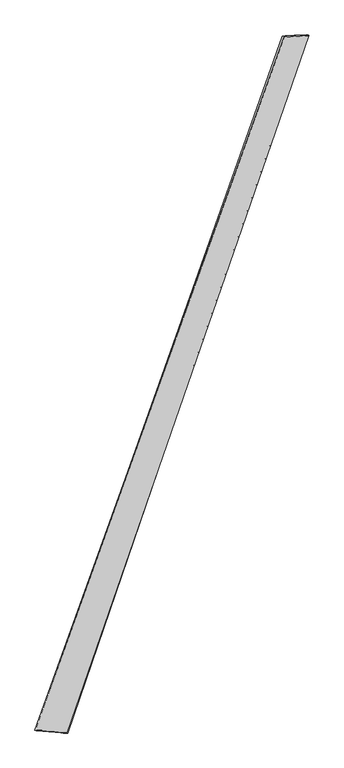
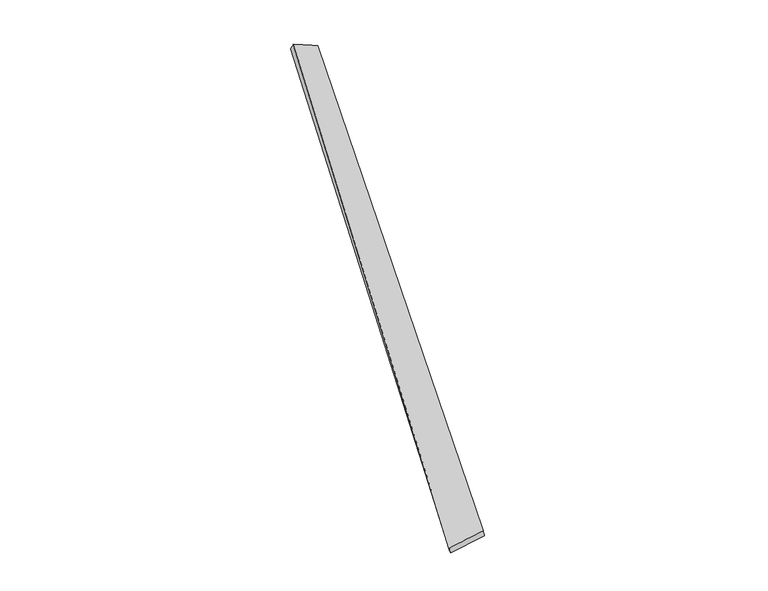
"""IFC4 building model written with IfcOpenShell, lengths in millimetres: proxy geometry."""

import ifcopenshell
import ifcopenshell.guid

model = None  # the IFC model being written
_history = None  # IfcOwnerHistory: only IFC2X3 demands one
_inside = {}  # id of a spatial element -> (the spatial element, [elements in it])
_under = {}  # id of a project, library or spatial element -> (it, [spatial elements below it])
_declared = {}  # id of a project -> (the project, [libraries it declares])
_typed = {}  # id of a type object -> (the type object, [elements of that type])
_made_of = {}  # id of a material, layer set ... -> (it, [elements and type objects made of it])


def new_model(schema):
    """Start an empty IFC model of exactly this schema.

    Asked for "IFC4X3", IfcOpenShell would pick the latest addendum, in which some entities
    have other attributes; the version numbers below select the first issue.
    IFC2X3 requires an IfcOwnerHistory on every rooted entity: one is made here for all.
    """
    global model, _history
    if schema == "IFC4X3":
        model = ifcopenshell.file(schema_version=(4, 3, 0, 0))
    else:
        model = ifcopenshell.file(schema=schema)
    _inside.clear()
    _under.clear()
    _declared.clear()
    _typed.clear()
    _made_of.clear()
    _history = None
    if model.schema == "IFC2X3":
        org = make("IfcOrganization", Name="unknown")
        user = make(
            "IfcPersonAndOrganization",
            ThePerson=make("IfcPerson", FamilyName="unknown"),
            TheOrganization=org,
        )
        app = make(
            "IfcApplication",
            ApplicationDeveloper=org,
            Version="unknown",
            ApplicationFullName="unknown",
            ApplicationIdentifier="unknown",
        )
        _history = make(
            "IfcOwnerHistory",
            OwningUser=user,
            OwningApplication=app,
            ChangeAction="ADDED",
            CreationDate=0,
        )
    return model


def make(cls, **values):
    """One entity of the class cls with the attributes given. An attribute that is None is left unset."""
    return model.create_entity(
        cls, **{name: value for name, value in values.items() if value is not None}
    )


def rooted(cls, **values):
    """An entity with a GlobalId (a new one), such as an element, a storey or a relation."""
    return make(cls, GlobalId=ifcopenshell.guid.new(), OwnerHistory=_history, **values)


def si_unit(unit_type, name, prefix=None):
    """IfcSIUnit, for example si_unit("LENGTHUNIT", "METRE", prefix="MILLI")."""
    return make("IfcSIUnit", UnitType=unit_type, Prefix=prefix, Name=name)


def assignment(units):
    """IfcUnitAssignment: the units of a project."""
    return None if units is None else make("IfcUnitAssignment", Units=units)


def point(xyz):
    """IfcCartesianPoint."""
    return None if xyz is None else make("IfcCartesianPoint", Coordinates=xyz)


def direction(xyz):
    """IfcDirection."""
    return None if xyz is None else make("IfcDirection", DirectionRatios=xyz)


def frame(location, z_axis=None, x_axis=None):
    """IfcAxis2Placement3D, a coordinate frame: its origin and axes. An axis left out is left unset."""
    return make(
        "IfcAxis2Placement3D",
        Location=point(location),
        Axis=direction(z_axis),
        RefDirection=direction(x_axis),
    )


def origin():
    """The frame at (0, 0, 0) with its axes left unset."""
    return frame((0.0, 0.0, 0.0))


def place(relative_to, where):
    """IfcLocalPlacement: puts the frame where relative to a parent placement (None: the world)."""
    return make(
        "IfcLocalPlacement", PlacementRelTo=relative_to, RelativePlacement=where
    )


def context(
    kind, dimensions, precision=None, world=None, true_north=None, identifier=None
):
    """IfcGeometricRepresentationContext, for example the 3D "Model" context."""
    return make(
        "IfcGeometricRepresentationContext",
        ContextIdentifier=identifier,
        ContextType=kind,
        CoordinateSpaceDimension=dimensions,
        Precision=precision,
        WorldCoordinateSystem=world,
        TrueNorth=true_north,
    )


def project(units=None, contexts=None):
    """IfcProject with its units and contexts."""
    return rooted(
        "IfcProject",
        Name="project",
        RepresentationContexts=contexts,
        UnitsInContext=assignment(units),
    )


def spatial(cls, under=None, at=None, **own):
    """A site, building, storey or space (cls), placed at a placement, below another one or the project."""
    s = rooted(cls, ObjectPlacement=at, **own)
    if under is not None:
        _under.setdefault(under.id(), (under, []))[1].append(s)
    return s


def shape(context_of_items, identifier, shape_type, items):
    """IfcShapeRepresentation: the items that make up one representation, for example the "Body"."""
    return make(
        "IfcShapeRepresentation",
        ContextOfItems=context_of_items,
        RepresentationIdentifier=identifier,
        RepresentationType=shape_type,
        Items=items,
    )


def source(mapping_origin, context_of_items, identifier, shape_type, items):
    """IfcRepresentationMap: a shape defined once, which mapped items show again and again."""
    return make(
        "IfcRepresentationMap",
        MappingOrigin=mapping_origin,
        MappedRepresentation=shape(context_of_items, identifier, shape_type, items),
    )


def transform(
    local_origin,
    x_axis=None,
    y_axis=None,
    z_axis=None,
    scale=None,
    scale2=None,
    scale3=None,
    uniform=True,
):
    """IfcCartesianTransformationOperator3D, or its non-uniform kind. x_axis, y_axis, z_axis: its Axis1, 2, 3."""
    if uniform:
        return make(
            "IfcCartesianTransformationOperator3D",
            Axis1=direction(x_axis),
            Axis2=direction(y_axis),
            LocalOrigin=point(local_origin),
            Scale=scale,
            Axis3=direction(z_axis),
        )
    return make(
        "IfcCartesianTransformationOperator3DnonUniform",
        Axis1=direction(x_axis),
        Axis2=direction(y_axis),
        LocalOrigin=point(local_origin),
        Scale=scale,
        Axis3=direction(z_axis),
        Scale2=scale2,
        Scale3=scale3,
    )


def mapped(mapping_source, mapping_target):
    """IfcMappedItem: shows the shape of a source again, moved by a transform."""
    return make(
        "IfcMappedItem", MappingSource=mapping_source, MappingTarget=mapping_target
    )


def made_of(thing, what):
    """Note that an element or type object is made of a material, layer set ...; save() writes the relation."""
    if what is not None:
        _made_of.setdefault(what.id(), (what, []))[1].append(thing)
    return thing


def element(
    cls,
    number,
    at=None,
    inside=None,
    cuts=None,
    type_object=None,
    material=None,
    context=None,
    identifier="Body",
    shape_type=None,
    held_by="IfcProductDefinitionShape",
    body=None,
    shapes=None,
    **own,
):
    """One element of the class cls, such as IfcWall. Its Tag is "e" and its number.

    at: its placement. inside: the storey or other place that contains it. cuts: it is an
    opening in that element (IfcRelVoidsElement). A single representation is given by context,
    identifier, shape_type and body (its items); several are given by shapes. held_by: the class
    of the entity that holds the representations. save() writes the other relations.
    """
    e = rooted(cls, Tag="e%d" % number, ObjectPlacement=at, **own)
    if body is not None:
        shapes = [shape(context, identifier, shape_type, body)]
    if shapes is not None:
        e.Representation = make(held_by, Representations=shapes)
    if inside is not None:
        _inside.setdefault(inside.id(), (inside, []))[1].append(e)
    if cuts is not None:
        rooted(
            "IfcRelVoidsElement", RelatingBuildingElement=cuts, RelatedOpeningElement=e
        )
    if type_object is not None:
        _typed.setdefault(type_object.id(), (type_object, []))[1].append(e)
    return made_of(e, material)


def aggregate(whole, parts):
    """IfcRelAggregates: a whole, such as a stair, and the parts it consists of."""
    return rooted("IfcRelAggregates", RelatingObject=whole, RelatedObjects=parts)


def save(model, path):
    """Write the relations noted so far, then the file.

    IfcRelAggregates (storeys below a building ...), IfcRelContainedInSpatialStructure (elements
    in a storey), IfcRelDefinesByType, IfcRelAssociatesMaterial and IfcRelDeclares: one each for
    every whole, place, type object, material and project.
    """
    for whole, parts in _under.values():
        aggregate(whole, parts)
    for where, things in _inside.values():
        rooted(
            "IfcRelContainedInSpatialStructure",
            RelatedElements=things,
            RelatingStructure=where,
        )
    for kind, things in _typed.values():
        rooted("IfcRelDefinesByType", RelatedObjects=things, RelatingType=kind)
    for what, things in _made_of.values():
        rooted("IfcRelAssociatesMaterial", RelatedObjects=things, RelatingMaterial=what)
    for by, libraries in _declared.values():
        rooted("IfcRelDeclares", RelatingContext=by, RelatedDefinitions=libraries)
    model.write(path)


def spline_surface(u_degree, v_degree, points, u_multiplicities, v_multiplicities, u_knots, v_knots, weights=None):
    """IfcBSplineSurfaceWithKnots; with weights, IfcRationalBSplineSurfaceWithKnots. points: one row for each step in u."""
    own = dict(
        UDegree=u_degree,
        VDegree=v_degree,
        ControlPointsList=[[point(p) for p in row] for row in points],
        SurfaceForm="UNSPECIFIED",
        UClosed=False,
        VClosed=False,
        SelfIntersect=False,
        UMultiplicities=u_multiplicities,
        VMultiplicities=v_multiplicities,
        UKnots=u_knots,
        VKnots=v_knots,
        KnotSpec="UNSPECIFIED",
    )
    if weights is None:
        return make("IfcBSplineSurfaceWithKnots", **own)
    return make("IfcRationalBSplineSurfaceWithKnots", WeightsData=weights, **own)


def advanced_brep(points, edges, surfaces, faces):
    """IfcAdvancedBrep: a solid bounded by faces that lie on surfaces and meet in shared edges.

    An edge is (start, end): straight between two places in points (the first is 0);
    or (start, end, curve); or (start, end, curve, False) where it runs against its curve.
    A face is (place in surfaces, loops), or (place, loops, False) where it looks against
    its surface's normal. A loop lists edges by number (the first is 1), with a minus sign
    where the edge is run from its end to its start. The first loop is the outer one.
    """
    corners = [point(p) for p in points]
    vertices = [make("IfcVertexPoint", VertexGeometry=c) for c in corners]
    made = []
    for start, end, *more in edges:
        made.append(
            make(
                "IfcEdgeCurve",
                EdgeStart=vertices[start],
                EdgeEnd=vertices[end],
                EdgeGeometry=more[0] if more else make("IfcPolyline", Points=[corners[start], corners[end]]),
                SameSense=more[1] if len(more) > 1 else True,
            )
        )
    hull = []
    for where, loops, *sense in faces:
        bounds = []
        for j, loop in enumerate(loops):
            ring = [make("IfcOrientedEdge", EdgeElement=made[abs(k) - 1], Orientation=k > 0) for k in loop]
            bounds.append(
                make(
                    "IfcFaceOuterBound" if j == 0 else "IfcFaceBound",
                    Bound=make("IfcEdgeLoop", EdgeList=ring),
                    Orientation=True,
                )
            )
        hull.append(make("IfcAdvancedFace", Bounds=bounds, FaceSurface=surfaces[where], SameSense=sense[0] if sense else True))
    return make("IfcAdvancedBrep", Outer=make("IfcClosedShell", CfsFaces=hull))


def generic_models_ebbc791c(model_context):
    return source(origin(), model_context, "Body", "AdvancedBrep", [
        advanced_brep(
        [(-715.7170818, -1813.1499405, -23.5070181), (-723.7759327, -1810.6901636, 5.2854187), (716.7611617, 2192.3473508, 57.9644352), (704.0051066, 2197.2278768, 31.2536972), (-541.1178514, -1825.2458991, 52.5302798), (857.5919259, 2200.3036006, -3.547677), (-534.5792971, -1827.8794766, 23.3701773), (846.2912723, 2203.8015404, -31.1168563)],
        [
            (0, 1),
            (1, 2),
            (2, 3),
            (3, 0),
            (1, 4),
            (4, 5),
            (5, 2),
            (4, 6),
            (6, 7),
            (7, 5),
            (6, 0),
            (3, 7),
        ],
        [
            spline_surface(1, 1, [[(-715.7170818, -1813.1499405, -23.5070181), (704.0051066, 2197.2278768, 31.2536972)], [(-723.7759327, -1810.6901636, 5.2854187), (716.7611617, 2192.3473508, 57.9644352)]], [2, 2], [2, 2], [0.0, 1.0], [0.0, 1.0]),
            spline_surface(1, 1, [[(-723.7759327, -1810.6901636, 5.2854187), (716.7611617, 2192.3473508, 57.9644352)], [(-541.1178514, -1825.2458991, 52.5302798), (857.5919259, 2200.3036006, -3.547677)]], [2, 2], [2, 2], [0.0, 1.0], [0.0, 1.0]),
            spline_surface(1, 1, [[(-541.1178514, -1825.2458991, 52.5302798), (857.5919259, 2200.3036006, -3.547677)], [(-534.5792971, -1827.8794766, 23.3701773), (846.2912723, 2203.8015404, -31.1168563)]], [2, 2], [2, 2], [0.0, 1.0], [0.0, 1.0]),
            spline_surface(1, 1, [[(-534.5792971, -1827.8794766, 23.3701773), (846.2912723, 2203.8015404, -31.1168563)], [(-715.7170818, -1813.1499405, -23.5070181), (704.0051066, 2197.2278768, 31.2536972)]], [2, 2], [2, 2], [0.0, 1.0], [0.0, 1.0]),
            spline_surface(1, 1, [[(716.7611617, 2192.3473508, 57.9644352), (704.0051066, 2197.2278768, 31.2536972)], [(857.5919259, 2200.3036006, -3.547677), (846.2912723, 2203.8015404, -31.1168563)]], [2, 2], [2, 2], [0.0, 1.0], [0.0, 1.0]),
            spline_surface(1, 1, [[(-534.5792971, -1827.8794766, 23.3701773), (-715.7170818, -1813.1499405, -23.5070181)], [(-541.1178514, -1825.2458991, 52.5302798), (-723.7759327, -1810.6901636, 5.2854187)]], [2, 2], [2, 2], [0.0, 1.0], [0.0, 1.0]),
        ],
        [
            (0, [[1, 2, 3, 4]]),
            (1, [[5, 6, 7, -2]]),
            (2, [[8, 9, 10, -6]]),
            (3, [[11, -4, 12, -9]]),
            (4, [[-3, -7, -10, -12]]),
            (5, [[-11, -8, -5, -1]]),
        ],
    ),
    ])


if __name__ == "__main__":
    model = new_model("IFC4")
    model_context = context("Model", 3, world=origin())
    ifc_project = project(units=[si_unit("LENGTHUNIT", "METRE", prefix="MILLI")], contexts=[model_context])
    site = spatial("IfcSite", under=ifc_project)
    building = spatial("IfcBuilding", under=site)
    placement = place(None, origin())
    generic_models_shape = generic_models_ebbc791c(model_context)
    element("IfcBuildingElementProxy", 1, Name="Generic Models", at=placement, inside=building, context=model_context, shape_type="MappedRepresentation", body=[
        mapped(generic_models_shape, transform((0.0, 0.0, 0.0), x_axis=(1.0, 0.0, 0.0), y_axis=(0.0, 1.0, 0.0), z_axis=(0.0, 0.0, 1.0))),
    ])
    save(model, "model.ifc")
